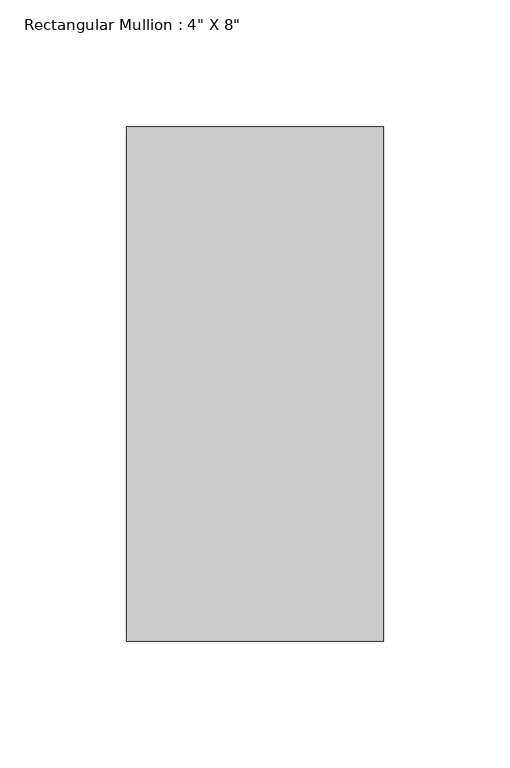
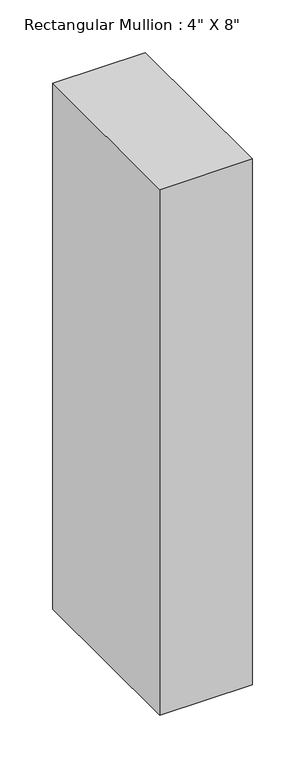
"""IFC4 building model written with IfcOpenShell, lengths in millimetres: member geometry."""

from ifc_helpers import new_model, si_unit, frame, origin, place, context, project, spatial, polyline, outline, extrude, source, transform, mapped, element, save


def member_2219d336(model_context):
    return source(origin(), model_context, "Body", "SweptSolid", [
        extrude(outline(polyline([(0.0, 63.5), (0.0, -139.7), (-101.6, -139.7), (-101.6, 63.5), (0.0, 63.5)])), frame((0.0, 0.0, -609.6), z_axis=(0.0, 0.0, 1.0), x_axis=(1.0, 0.0, 0.0)), (0.0, 0.0, 1.0), 609.6),
    ])


if __name__ == "__main__":
    model = new_model("IFC4")
    model_context = context("Model", 3, world=origin())
    ifc_project = project(units=[si_unit("LENGTHUNIT", "METRE", prefix="MILLI")], contexts=[model_context])
    site = spatial("IfcSite", under=ifc_project)
    building = spatial("IfcBuilding", under=site)
    placement = place(None, origin())
    member_shape = member_2219d336(model_context)
    element("IfcMember", 1, ObjectType="Rectangular Mullion : 4\" X 8\"", at=placement, inside=building, context=model_context, shape_type="MappedRepresentation", body=[
        mapped(member_shape, transform((0.0, 0.0, 0.0), x_axis=(1.0, 0.0, 0.0), y_axis=(0.0, 1.0, 0.0), z_axis=(0.0, 0.0, 1.0))),
    ])
    save(model, "model.ifc")
